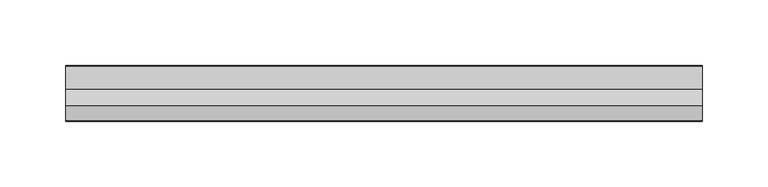
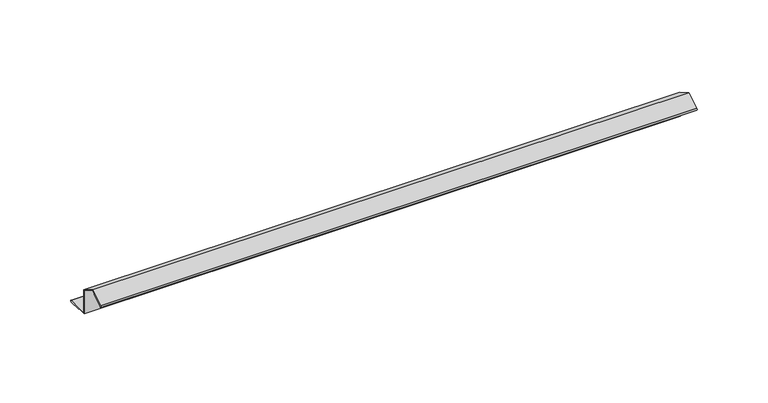
"""IFC4 building model written with IfcOpenShell, lengths in millimetres: proxy geometry."""

from ifc_helpers import new_model, si_unit, point, frame, frame_2d, origin, place, context, project, spatial, polyline, circle_curve, trimmed, segment, composite_curve, outline, extrude, source, transform, mapped, element, save


def generic_models_aa51b7e1(model_context):
    return source(origin(), model_context, "Body", "SweptSolid", [
        extrude(outline(composite_curve([segment(polyline([(41.911208, -0.95), (31.911208, -0.95), (31.911208, -0.15), (41.911208, 0.0), (23.711208, 0.0), (23.711208, 20.0845299), (11.9221637, 26.8909378), (0.8394884, 20.3207061), (9.4977441, 25.3195524), (9.8977441, 24.626732), (1.23749, 19.626732)]), True, "CONTINUOUS"), segment(trimmed(circle_curve(frame_2d((0.8249933, 20.3411972)), 0.8249933), [point((1.23749, 19.626732))], [point((0.4124967, 21.0556624))], False, "CARTESIAN"), True, "CONTINUOUS"), segment(polyline([(0.4124967, 21.0556624), (11.9208269, 27.7), (24.411208, 20.4886751), (24.411208, 0.7), (41.911208, 0.7)]), True, "CONTINUOUS"), segment(trimmed(circle_curve(frame_2d((41.911208, -0.125)), 0.825), [point((41.911208, 0.7))], [point((41.911208, -0.95))], False, "CARTESIAN"), True, "CONTINUOUS")], self_intersect=False)), frame((0.0, 0.0, 0.0), z_axis=(1.0, 0.0, 0.0), x_axis=(0.0, 1.0, 0.0)), (0.0, 0.0, 1.0), 485.1477558),
    ])


if __name__ == "__main__":
    model = new_model("IFC4")
    model_context = context("Model", 3, world=origin())
    ifc_project = project(units=[si_unit("LENGTHUNIT", "METRE", prefix="MILLI")], contexts=[model_context])
    site = spatial("IfcSite", under=ifc_project)
    building = spatial("IfcBuilding", under=site)
    placement = place(None, origin())
    generic_models_shape = generic_models_aa51b7e1(model_context)
    element("IfcBuildingElementProxy", 1, Name="Generic Models", at=placement, inside=building, context=model_context, shape_type="MappedRepresentation", body=[
        mapped(generic_models_shape, transform((0.0, 0.0, 0.0), x_axis=(1.0, 0.0, 0.0), y_axis=(0.0, 1.0, 0.0), z_axis=(0.0, 0.0, 1.0))),
    ])
    save(model, "model.ifc")
